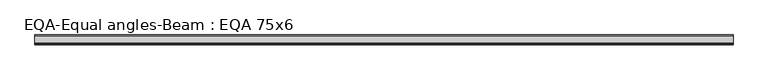
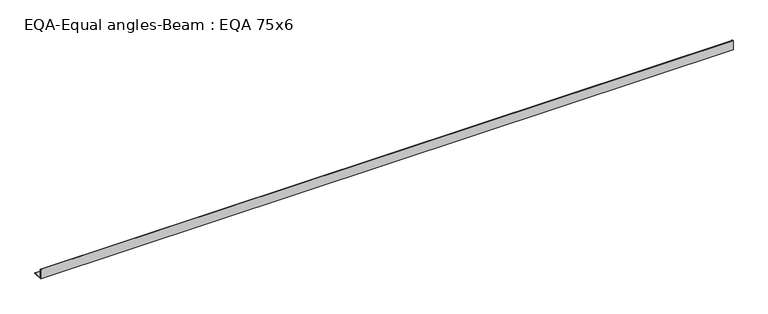
"""IFC4 building model written with IfcOpenShell, lengths in millimetres: beam geometry, EQA-Equal angles-Beam : EQA 75x6."""

from ifc_helpers import new_model, si_unit, point, frame, frame_2d, origin, place, context, project, spatial, polyline, circle_curve, trimmed, segment, composite_curve, outline, extrude, source, transform, mapped, element, save


def eqa_equal_angles_beam_eqa_75x6_d252bf54(model_context):
    return source(origin(), model_context, "Body", "SweptSolid", [
        extrude(outline(composite_curve([segment(polyline([(-20.5, -20.5), (-20.5, 54.5), (-19.0, 54.5)]), True, "CONTINUOUS"), segment(trimmed(circle_curve(frame_2d((-19.0, 50.0)), 4.5), [point((-19.0, 54.5))], [point((-14.5, 50.0))], False, "CARTESIAN"), True, "CONTINUOUS"), segment(polyline([(-14.5, 50.0), (-14.5, -5.5)]), True, "CONTINUOUS"), segment(trimmed(circle_curve(frame_2d((-5.5, -5.5)), 9.0), [point((-14.5, -5.5))], [point((-5.5, -14.5))], True, "CARTESIAN"), True, "CONTINUOUS"), segment(polyline([(-5.5, -14.5), (50.0, -14.5)]), True, "CONTINUOUS"), segment(trimmed(circle_curve(frame_2d((50.0, -19.0)), 4.5), [point((50.0, -14.5))], [point((54.5, -19.0))], False, "CARTESIAN"), True, "CONTINUOUS"), segment(polyline([(54.5, -19.0), (54.5, -20.5), (-20.5, -20.5)]), True, "CONTINUOUS")], self_intersect=False)), frame((-2623.6686107, 0.0, 0.0), z_axis=(1.0, 0.0, 0.0), x_axis=(0.0, 1.0, 0.0)), (0.0, 0.0, 1.0), 5243.490622),
    ])


if __name__ == "__main__":
    model = new_model("IFC4")
    model_context = context("Model", 3, world=origin())
    ifc_project = project(units=[si_unit("LENGTHUNIT", "METRE", prefix="MILLI")], contexts=[model_context])
    site = spatial("IfcSite", under=ifc_project)
    building = spatial("IfcBuilding", under=site)
    placement = place(None, origin())
    eqa_equal_angles_beam_eqa_75x6_shape = eqa_equal_angles_beam_eqa_75x6_d252bf54(model_context)
    element("IfcBeam", 1, ObjectType="EQA-Equal angles-Beam : EQA 75x6", at=placement, inside=building, context=model_context, shape_type="MappedRepresentation", body=[
        mapped(eqa_equal_angles_beam_eqa_75x6_shape, transform((0.0, 0.0, 0.0), x_axis=(1.0, 0.0, 0.0), y_axis=(0.0, 1.0, 0.0), z_axis=(0.0, 0.0, 1.0))),
    ])
    save(model, "model.ifc")
